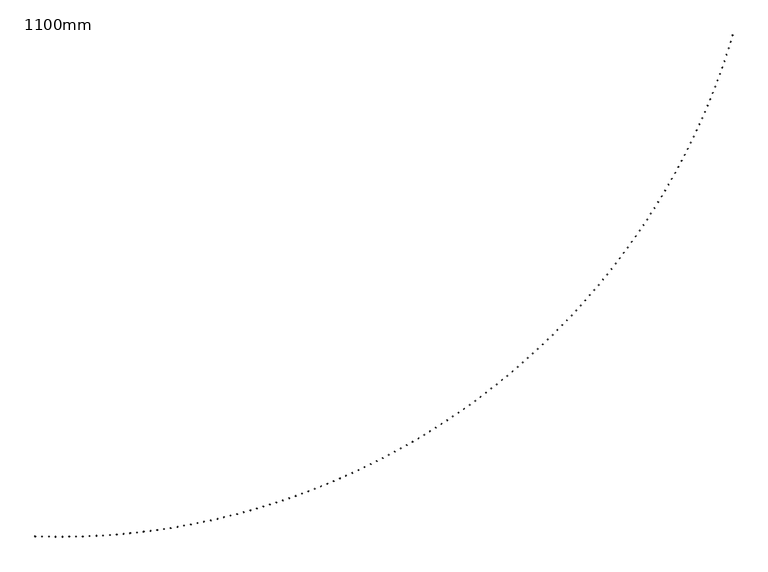
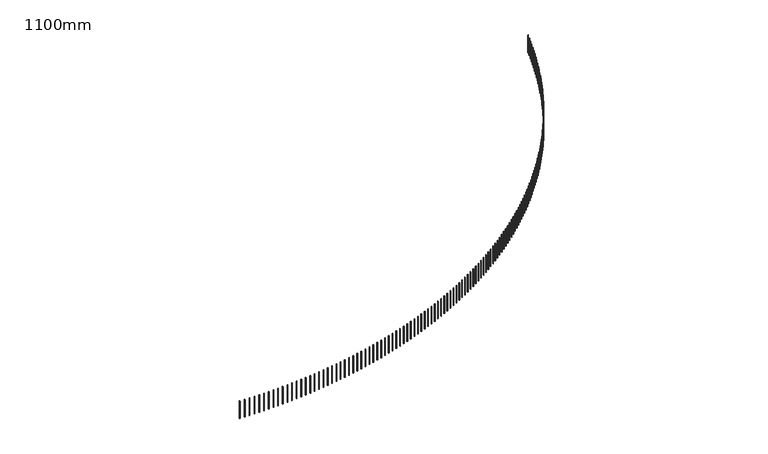
"""IFC4 building model written with IfcOpenShell, lengths in millimetres: railing geometry, 1100mm."""

from ifc_helpers import new_model, si_unit, frame, origin, place, context, project, spatial, polyline, outline, extrude, source, transform, mapped, element, save


def railing_1100mm_141c613e(model_context):
    return source(origin(), model_context, "Body", "SweptSolid", [
        extrude(outline(polyline([(-10110.9562878, -82539.3710236), (-10111.8247156, -82564.3559358), (-10136.8096277, -82563.487508), (-10135.9411999, -82538.5025959), (-10110.9562878, -82539.3710236)])), frame((0.0, 0.0, 18600.0), z_axis=(0.0, 0.0, 1.0), x_axis=(1.0, 0.0, 0.0)), (0.0, 0.0, 1.0), 1050.0),
        extrude(outline(polyline([(-9836.1976261, -82547.4690723), (-9836.8242033, -82572.4612191), (-9861.8163501, -82571.8346419), (-9861.1897729, -82546.8424951), (-9836.1976261, -82547.4690723)])), frame((0.0, 0.0, 18600.0), z_axis=(0.0, 0.0, 1.0), x_axis=(1.0, 0.0, 0.0)), (0.0, 0.0, 1.0), 1050.0),
        extrude(outline(polyline([(-9561.373458, -82552.9075616), (-9561.7581259, -82577.9046021), (-9586.7551663, -82577.5199342), (-9586.3704985, -82552.5228938), (-9561.373458, -82552.9075616)])), frame((0.0, 0.0, 18600.0), z_axis=(0.0, 0.0, 1.0), x_axis=(1.0, 0.0, 0.0)), (0.0, 0.0, 1.0), 1050.0),
        extrude(outline(polyline([(-9286.5095264, -82555.6859823), (-9286.6522489, -82580.6855749), (-9311.6518415, -82580.5428524), (-9311.509119, -82555.5432598), (-9286.5095264, -82555.6859823)])), frame((0.0, 0.0, 18600.0), z_axis=(0.0, 0.0, 1.0), x_axis=(1.0, 0.0, 0.0)), (0.0, 0.0, 1.0), 1050.0),
        extrude(outline(polyline([(-9011.6315779, -82555.8040741), (-9011.5323416, -82580.8038771), (-9036.5321447, -82580.9031133), (-9036.6313809, -82555.9033103), (-9011.6315779, -82555.8040741)])), frame((0.0, 0.0, 18600.0), z_axis=(0.0, 0.0, 1.0), x_axis=(1.0, 0.0, 0.0)), (0.0, 0.0, 1.0), 1050.0),
        extrude(outline(polyline([(-8736.7653604, -82553.2618258), (-8736.4241747, -82578.2594975), (-8761.4218465, -82578.6006832), (-8761.7630321, -82553.6030114), (-8736.7653604, -82553.2618258)])), frame((0.0, 0.0, 18600.0), z_axis=(0.0, 0.0, 1.0), x_axis=(1.0, 0.0, 0.0)), (0.0, 0.0, 1.0), 1050.0),
        extrude(outline(polyline([(-8461.9366208, -82548.0594757), (-8461.3535177, -82573.0526745), (-8486.3467166, -82573.6357777), (-8486.9298197, -82548.6425788), (-8461.9366208, -82548.0594757)])), frame((0.0, 0.0, 18600.0), z_axis=(0.0, 0.0, 1.0), x_axis=(1.0, 0.0, 0.0)), (0.0, 0.0, 1.0), 1050.0),
        extrude(outline(polyline([(-8187.1711025, -82540.197511), (-8186.3461366, -82565.1838959), (-8211.3325215, -82566.0088618), (-8212.1574874, -82541.0224769), (-8187.1711025, -82540.197511)])), frame((0.0, 0.0, 18600.0), z_axis=(0.0, 0.0, 1.0), x_axis=(1.0, 0.0, 0.0)), (0.0, 0.0, 1.0), 1050.0),
        extrude(outline(polyline([(-7912.4945429, -82529.6766681), (-7911.4277914, -82554.6538986), (-7936.4050218, -82555.7206501), (-7937.4717734, -82530.7434196), (-7912.4945429, -82529.6766681)])), frame((0.0, 0.0, 18600.0), z_axis=(0.0, 0.0, 1.0), x_axis=(1.0, 0.0, 0.0)), (0.0, 0.0, 1.0), 1050.0),
        extrude(outline(polyline([(-7637.9326711, -82516.4979327), (-7636.6242339, -82541.463669), (-7661.5899703, -82542.7721062), (-7662.8984074, -82517.8063698), (-7637.9326711, -82516.4979327)])), frame((0.0, 0.0, 18600.0), z_axis=(0.0, 0.0, 1.0), x_axis=(1.0, 0.0, 0.0)), (0.0, 0.0, 1.0), 1050.0),
        extrude(outline(polyline([(-7363.5112053, -82500.662539), (-7361.9612051, -82525.6144427), (-7386.9131088, -82527.164443), (-7388.4631091, -82502.2125392), (-7363.5112053, -82500.662539)])), frame((0.0, 0.0, 18600.0), z_axis=(0.0, 0.0, 1.0), x_axis=(1.0, 0.0, 0.0)), (0.0, 0.0, 1.0), 1050.0),
        extrude(outline(polyline([(-7089.255851, -82482.1719705), (-7087.4644328, -82507.1077043), (-7112.4001666, -82508.8991224), (-7114.1915848, -82483.9633886), (-7089.255851, -82482.1719705)])), frame((0.0, 0.0, 18600.0), z_axis=(0.0, 0.0, 1.0), x_axis=(1.0, 0.0, 0.0)), (0.0, 0.0, 1.0), 1050.0),
        extrude(outline(polyline([(-6815.1922975, -82461.0279591), (-6813.1596293, -82485.9451873), (-6838.0768575, -82487.9778555), (-6840.1095257, -82463.0606273), (-6815.1922975, -82461.0279591)])), frame((0.0, 0.0, 18600.0), z_axis=(0.0, 0.0, 1.0), x_axis=(1.0, 0.0, 0.0)), (0.0, 0.0, 1.0), 1050.0),
        extrude(outline(polyline([(-6541.3462167, -82437.2324855), (-6539.0724888, -82462.128874), (-6563.9688773, -82464.4026019), (-6566.2426052, -82439.5062134), (-6541.3462167, -82437.2324855)])), frame((0.0, 0.0, 18600.0), z_axis=(0.0, 0.0, 1.0), x_axis=(1.0, 0.0, 0.0)), (0.0, 0.0, 1.0), 1050.0),
        extrude(outline(polyline([(-6267.7432598, -82410.7877785), (-6265.2286852, -82435.6609953), (-6290.101902, -82438.1755699), (-6292.6164767, -82413.3023531), (-6267.7432598, -82410.7877785)])), frame((0.0, 0.0, 18600.0), z_axis=(0.0, 0.0, 1.0), x_axis=(1.0, 0.0, 0.0)), (0.0, 0.0, 1.0), 1050.0),
        extrude(outline(polyline([(-5994.4090554, -82381.6963152), (-5991.6538696, -82406.5440305), (-6016.5015849, -82409.2992162), (-6019.2567706, -82384.451501), (-5994.4090554, -82381.6963152)])), frame((0.0, 0.0, 18600.0), z_axis=(0.0, 0.0, 1.0), x_axis=(1.0, 0.0, 0.0)), (0.0, 0.0, 1.0), 1050.0),
        extrude(outline(polyline([(-5721.3692068, -82349.9608208), (-5718.3736679, -82374.7807069), (-5743.1935541, -82377.7762457), (-5746.1890929, -82352.9563596), (-5721.3692068, -82349.9608208)])), frame((0.0, 0.0, 18600.0), z_axis=(0.0, 0.0, 1.0), x_axis=(1.0, 0.0, 0.0)), (0.0, 0.0, 1.0), 1050.0),
        extrude(outline(polyline([(-5448.6492898, -82315.5842677), (-5445.4136784, -82340.3739998), (-5470.2034106, -82343.6096112), (-5473.4390219, -82318.8198791), (-5448.6492898, -82315.5842677)])), frame((0.0, 0.0, 18600.0), z_axis=(0.0, 0.0, 1.0), x_axis=(1.0, 0.0, 0.0)), (0.0, 0.0, 1.0), 1050.0),
        extrude(outline(polyline([(-5176.2748502, -82278.5698762), (-5172.7994694, -82303.3271322), (-5197.5567255, -82306.802513), (-5201.0321063, -82282.0452569), (-5176.2748502, -82278.5698762)])), frame((0.0, 0.0, 18600.0), z_axis=(0.0, 0.0, 1.0), x_axis=(1.0, 0.0, 0.0)), (0.0, 0.0, 1.0), 1050.0),
        extrude(outline(polyline([(-4904.2714014, -82238.9211133), (-4900.5565768, -82263.6435743), (-4925.2790378, -82267.3583989), (-4928.9938624, -82242.6359379), (-4904.2714014, -82238.9211133)])), frame((0.0, 0.0, 18600.0), z_axis=(0.0, 0.0, 1.0), x_axis=(1.0, 0.0, 0.0)), (0.0, 0.0, 1.0), 1050.0),
        extrude(outline(polyline([(-4632.6644222, -82196.641693), (-4628.7105017, -82221.3270431), (-4653.3958518, -82225.2809637), (-4657.3497724, -82200.5956135), (-4632.6644222, -82196.641693)])), frame((0.0, 0.0, 18600.0), z_axis=(0.0, 0.0, 1.0), x_axis=(1.0, 0.0, 0.0)), (0.0, 0.0, 1.0), 1050.0),
        extrude(outline(polyline([(-4361.4793541, -82151.7355756), (-4357.286708, -82176.3815026), (-4381.9326351, -82180.5741487), (-4386.1252811, -82155.9282217), (-4361.4793541, -82151.7355756)])), frame((0.0, 0.0, 18600.0), z_axis=(0.0, 0.0, 1.0), x_axis=(1.0, 0.0, 0.0)), (0.0, 0.0, 1.0), 1050.0),
        extrude(outline(polyline([(-4090.7415992, -82104.2069675), (-4086.3106203, -82128.8111628), (-4110.9148156, -82133.2421417), (-4115.3457945, -82108.6379464), (-4090.7415992, -82104.2069675)])), frame((0.0, 0.0, 18600.0), z_axis=(0.0, 0.0, 1.0), x_axis=(1.0, 0.0, 0.0)), (0.0, 0.0, 1.0), 1050.0),
        extrude(outline(polyline([(-3820.4765175, -82054.0603207), (-3815.8076209, -82078.6204796), (-3840.3677798, -82083.2893763), (-3845.0366764, -82058.7292174), (-3820.4765175, -82054.0603207)])), frame((0.0, 0.0, 18600.0), z_axis=(0.0, 0.0, 1.0), x_axis=(1.0, 0.0, 0.0)), (0.0, 0.0, 1.0), 1050.0),
        extrude(outline(polyline([(-3550.709425, -82001.3003326), (-3545.803048, -82025.8141545), (-3570.3168699, -82030.7205315), (-3575.2232469, -82006.2067096), (-3550.709425, -82001.3003326)])), frame((0.0, 0.0, 18600.0), z_axis=(0.0, 0.0, 1.0), x_axis=(1.0, 0.0, 0.0)), (0.0, 0.0, 1.0), 1050.0),
        extrude(outline(polyline([(-3281.465591, -81945.931945), (-3276.3221931, -81970.3971337), (-3300.7873818, -81975.5405316), (-3305.9307796, -81951.0753429), (-3281.465591, -81945.931945)])), frame((0.0, 0.0, 18600.0), z_axis=(0.0, 0.0, 1.0), x_axis=(1.0, 0.0, 0.0)), (0.0, 0.0, 1.0), 1050.0),
        extrude(outline(polyline([(-3012.7702354, -81887.9603445), (-3007.3902985, -81912.3746083), (-3031.8045623, -81917.7545453), (-3037.1844993, -81893.3402814), (-3012.7702354, -81887.9603445)])), frame((0.0, 0.0, 18600.0), z_axis=(0.0, 0.0, 1.0), x_axis=(1.0, 0.0, 0.0)), (0.0, 0.0, 1.0), 1050.0),
        extrude(outline(polyline([(-2744.6485274, -81827.3909612), (-2739.0325553, -81851.7520133), (-2763.3936074, -81857.3679854), (-2769.0095794, -81833.0069333), (-2744.6485274, -81827.3909612)])), frame((0.0, 0.0, 18600.0), z_axis=(0.0, 0.0, 1.0), x_axis=(1.0, 0.0, 0.0)), (0.0, 0.0, 1.0), 1050.0),
        extrude(outline(polyline([(-2477.1255818, -81764.2294688), (-2471.2741007, -81788.5350272), (-2495.5796591, -81794.3865083), (-2501.4311402, -81770.0809499), (-2477.1255818, -81764.2294688)])), frame((0.0, 0.0, 18600.0), z_axis=(0.0, 0.0, 1.0), x_axis=(1.0, 0.0, 0.0)), (0.0, 0.0, 1.0), 1050.0),
        extrude(outline(polyline([(-2210.2264577, -81698.4817835), (-2204.1400157, -81722.7295715), (-2228.3878037, -81728.8160136), (-2234.4742457, -81704.5682256), (-2210.2264577, -81698.4817835)])), frame((0.0, 0.0, 18600.0), z_axis=(0.0, 0.0, 1.0), x_axis=(1.0, 0.0, 0.0)), (0.0, 0.0, 1.0), 1050.0),
        extrude(outline(polyline([(-1943.9761558, -81630.1540641), (-1937.6553229, -81654.3418104), (-1961.8430692, -81660.6626433), (-1968.1639021, -81636.474897), (-1943.9761558, -81630.1540641)])), frame((0.0, 0.0, 18600.0), z_axis=(0.0, 0.0, 1.0), x_axis=(1.0, 0.0, 0.0)), (0.0, 0.0, 1.0), 1050.0),
        extrude(outline(polyline([(-1678.3996157, -81559.2527107), (-1671.8449841, -81583.3781497), (-1695.970423, -81589.9327813), (-1702.5250546, -81565.8073424), (-1678.3996157, -81559.2527107)])), frame((0.0, 0.0, 18600.0), z_axis=(0.0, 0.0, 1.0), x_axis=(1.0, 0.0, 0.0)), (0.0, 0.0, 1.0), 1050.0),
        extrude(outline(polyline([(-1413.5217142, -81485.7843648), (-1406.7338978, -81509.8452366), (-1430.7947695, -81516.633053), (-1437.582586, -81492.5721812), (-1413.5217142, -81485.7843648)])), frame((0.0, 0.0, 18600.0), z_axis=(0.0, 0.0, 1.0), x_axis=(1.0, 0.0, 0.0)), (0.0, 0.0, 1.0), 1050.0),
        extrude(outline(polyline([(-1149.3672626, -81409.7559082), (-1142.3468972, -81433.7499589), (-1166.3409479, -81440.7703243), (-1173.3613133, -81416.7762736), (-1149.3672626, -81409.7559082)])), frame((0.0, 0.0, 18600.0), z_axis=(0.0, 0.0, 1.0), x_axis=(1.0, 0.0, 0.0)), (0.0, 0.0, 1.0), 1050.0),
        extrude(outline(polyline([(-885.9610043, -81331.1744625), (-878.7087475, -81355.0994447), (-902.6337297, -81362.3517014), (-909.8859864, -81338.4267192), (-885.9610043, -81331.1744625)])), frame((0.0, 0.0, 18600.0), z_axis=(0.0, 0.0, 1.0), x_axis=(1.0, 0.0, 0.0)), (0.0, 0.0, 1.0), 1050.0),
        extrude(outline(polyline([(-623.3276126, -81250.0473885), (-615.8441439, -81273.901061), (-639.6978165, -81281.3845298), (-647.1812852, -81257.5308572), (-623.3276126, -81250.0473885)])), frame((0.0, 0.0, 18600.0), z_axis=(0.0, 0.0, 1.0), x_axis=(1.0, 0.0, 0.0)), (0.0, 0.0, 1.0), 1050.0),
        extrude(outline(polyline([(-361.4916887, -81166.3822853), (-353.7777089, -81190.1624139), (-377.5578375, -81197.8763937), (-385.2718173, -81174.0962651), (-361.4916887, -81166.3822853)])), frame((0.0, 0.0, 18600.0), z_axis=(0.0, 0.0, 1.0), x_axis=(1.0, 0.0, 0.0)), (0.0, 0.0, 1.0), 1050.0),
        extrude(outline(polyline([(-100.4777588, -81080.18699), (-92.5339905, -81103.8913471), (-116.2383476, -81111.8351154), (-124.1821159, -81088.1307583), (-100.4777588, -81080.18699)])), frame((0.0, 0.0, 18600.0), z_axis=(0.0, 0.0, 1.0), x_axis=(1.0, 0.0, 0.0)), (0.0, 0.0, 1.0), 1050.0),
        extrude(outline(polyline([(159.6897277, -80991.4695764), (167.8625404, -81015.0959416), (144.2361752, -81023.2687543), (136.0633625, -80999.6423891), (159.6897277, -80991.4695764)])), frame((0.0, 0.0, 18600.0), z_axis=(0.0, 0.0, 1.0), x_axis=(1.0, 0.0, 0.0)), (0.0, 0.0, 1.0), 1050.0),
        extrude(outline(polyline([(418.986401, -80900.2383549), (427.3874925, -80923.7845151), (403.8413323, -80932.1856066), (395.4402408, -80908.6394464), (418.986401, -80900.2383549)])), frame((0.0, 0.0, 18600.0), z_axis=(0.0, 0.0, 1.0), x_axis=(1.0, 0.0, 0.0)), (0.0, 0.0, 1.0), 1050.0),
        extrude(outline(polyline([(677.3879724, -80806.501871), (686.0165559, -80829.9656207), (662.5528062, -80838.5942041), (653.9242228, -80815.1304544), (677.3879724, -80806.501871)])), frame((0.0, 0.0, 18600.0), z_axis=(0.0, 0.0, 1.0), x_axis=(1.0, 0.0, 0.0)), (0.0, 0.0, 1.0), 1050.0),
        extrude(outline(polyline([(934.8702375, -80710.2689051), (943.7255046, -80733.6480464), (920.3463633, -80742.5033135), (911.4910963, -80719.1241722), (934.8702375, -80710.2689051)])), frame((0.0, 0.0, 18600.0), z_axis=(0.0, 0.0, 1.0), x_axis=(1.0, 0.0, 0.0)), (0.0, 0.0, 1.0), 1050.0),
        extrude(outline(polyline([(1191.4090777, -80611.5484715), (1200.4901989, -80634.8408144), (1177.197856, -80643.9219356), (1168.1167348, -80620.6295927), (1191.4090777, -80611.5484715)])), frame((0.0, 0.0, 18600.0), z_axis=(0.0, 0.0, 1.0), x_axis=(1.0, 0.0, 0.0)), (0.0, 0.0, 1.0), 1050.0),
        extrude(outline(polyline([(1446.9804628, -80510.3498172), (1456.2865876, -80533.5531799), (1433.0832249, -80542.8593047), (1423.7771001, -80519.655942), (1446.9804628, -80510.3498172)])), frame((0.0, 0.0, 18600.0), z_axis=(0.0, 0.0, 1.0), x_axis=(1.0, 0.0, 0.0)), (0.0, 0.0, 1.0), 1050.0),
        extrude(outline(polyline([(1701.5604535, -80406.6824217), (1711.0907101, -80429.7946308), (1687.978501, -80439.3248874), (1678.4482444, -80416.2126783), (1701.5604535, -80406.6824217)])), frame((0.0, 0.0, 18600.0), z_axis=(0.0, 0.0, 1.0), x_axis=(1.0, 0.0, 0.0)), (0.0, 0.0, 1.0), 1050.0),
        extrude(outline(polyline([(1955.125203, -80300.5559955), (1964.8786987, -80323.574886), (1941.8598082, -80333.3283817), (1932.1063125, -80310.3094912), (1955.125203, -80300.5559955)])), frame((0.0, 0.0, 18600.0), z_axis=(0.0, 0.0, 1.0), x_axis=(1.0, 0.0, 0.0)), (0.0, 0.0, 1.0), 1050.0),
        extrude(outline(polyline([(2207.6509598, -80191.9804794), (2217.6267811, -80214.9038952), (2194.7033653, -80224.8797165), (2184.7275441, -80201.9563007), (2207.6509598, -80191.9804794)])), frame((0.0, 0.0, 18600.0), z_axis=(0.0, 0.0, 1.0), x_axis=(1.0, 0.0, 0.0)), (0.0, 0.0, 1.0), 1050.0),
        extrude(outline(polyline([(2459.1140697, -80080.966044), (2469.3112821, -80103.7918377), (2446.4854883, -80113.9890501), (2436.288276, -80091.1632563), (2459.1140697, -80080.966044)])), frame((0.0, 0.0, 18600.0), z_axis=(0.0, 0.0, 1.0), x_axis=(1.0, 0.0, 0.0)), (0.0, 0.0, 1.0), 1050.0),
        extrude(outline(polyline([(2709.4909781, -79967.5230878), (2719.9086263, -79990.2491214), (2697.1825927, -80000.6667697), (2686.7649444, -79977.940736), (2709.4909781, -79967.5230878)])), frame((0.0, 0.0, 18600.0), z_axis=(0.0, 0.0, 1.0), x_axis=(1.0, 0.0, 0.0)), (0.0, 0.0, 1.0), 1050.0),
        extrude(outline(polyline([(2958.7582319, -79851.6622372), (2969.3953402, -79874.286382), (2946.7711955, -79884.9234903), (2936.1340872, -79862.2993455), (2958.7582319, -79851.6622372)])), frame((0.0, 0.0, 18600.0), z_axis=(0.0, 0.0, 1.0), x_axis=(1.0, 0.0, 0.0)), (0.0, 0.0, 1.0), 1050.0),
        extrude(outline(polyline([(3206.8924823, -79733.394345), (3217.7480543, -79755.9144816), (3195.2279176, -79766.7700536), (3184.3723456, -79744.249917), (3206.8924823, -79733.394345)])), frame((0.0, 0.0, 18600.0), z_axis=(0.0, 0.0, 1.0), x_axis=(1.0, 0.0, 0.0)), (0.0, 0.0, 1.0), 1050.0),
        extrude(outline(polyline([(3453.8704863, -79612.7304892), (3464.9435051, -79635.1445084), (3442.529486, -79646.2175272), (3431.4564671, -79623.8035081), (3453.8704863, -79612.7304892)])), frame((0.0, 0.0, 18600.0), z_axis=(0.0, 0.0, 1.0), x_axis=(1.0, 0.0, 0.0)), (0.0, 0.0, 1.0), 1050.0),
        extrude(outline(polyline([(3699.6691094, -79489.6819727), (3710.9585378, -79511.9877747), (3688.6527358, -79523.2772032), (3677.3633073, -79500.9714011), (3699.6691094, -79489.6819727)])), frame((0.0, 0.0, 18600.0), z_axis=(0.0, 0.0, 1.0), x_axis=(1.0, 0.0, 0.0)), (0.0, 0.0, 1.0), 1050.0),
        extrude(outline(polyline([(3944.2653275, -79364.2603213), (3955.7701081, -79386.4558169), (3933.5746125, -79397.9605975), (3922.0698319, -79375.7651019), (3944.2653275, -79364.2603213)])), frame((0.0, 0.0, 18600.0), z_axis=(0.0, 0.0, 1.0), x_axis=(1.0, 0.0, 0.0)), (0.0, 0.0, 1.0), 1050.0),
        extrude(outline(polyline([(4187.6362291, -79236.4772835), (4199.3552842, -79258.5603935), (4177.2721742, -79270.2794486), (4165.5531191, -79248.1963386), (4187.6362291, -79236.4772835)])), frame((0.0, 0.0, 18600.0), z_axis=(0.0, 0.0, 1.0), x_axis=(1.0, 0.0, 0.0)), (0.0, 0.0, 1.0), 1050.0),
        extrude(outline(polyline([(4429.7590177, -79106.3448286), (4441.6912495, -79128.3134846), (4419.7225936, -79140.2457164), (4407.7903618, -79118.2770605), (4429.7590177, -79106.3448286)])), frame((0.0, 0.0, 18600.0), z_axis=(0.0, 0.0, 1.0), x_axis=(1.0, 0.0, 0.0)), (0.0, 0.0, 1.0), 1050.0),
        extrude(outline(polyline([(4670.6110134, -78973.8751464), (4682.7553042, -78995.7272904), (4660.9031602, -79007.8715813), (4648.7588693, -78986.0194373), (4670.6110134, -78973.8751464)])), frame((0.0, 0.0, 18600.0), z_axis=(0.0, 0.0, 1.0), x_axis=(1.0, 0.0, 0.0)), (0.0, 0.0, 1.0), 1050.0),
        extrude(outline(polyline([(4910.1696554, -78839.0806452), (4922.5248678, -78860.8142304), (4900.7912826, -78873.1694428), (4888.4360702, -78851.4358576), (4910.1696554, -78839.0806452)])), frame((0.0, 0.0, 18600.0), z_axis=(0.0, 0.0, 1.0), x_axis=(1.0, 0.0, 0.0)), (0.0, 0.0, 1.0), 1050.0),
        extrude(outline(polyline([(5148.4125043, -78701.9739514), (5160.9774809, -78723.586942), (5139.3644902, -78736.1519186), (5126.7995137, -78714.5389279), (5148.4125043, -78701.9739514)])), frame((0.0, 0.0, 18600.0), z_axis=(0.0, 0.0, 1.0), x_axis=(1.0, 0.0, 0.0)), (0.0, 0.0, 1.0), 1050.0),
        extrude(outline(polyline([(5385.3172437, -78562.5679077), (5398.0908074, -78584.0582793), (5376.6004359, -78596.831843), (5363.8268721, -78575.3414715), (5385.3172437, -78562.5679077)])), frame((0.0, 0.0, 18600.0), z_axis=(0.0, 0.0, 1.0), x_axis=(1.0, 0.0, 0.0)), (0.0, 0.0, 1.0), 1050.0),
        extrude(outline(polyline([(5620.8616826, -78420.8755725), (5633.842637, -78442.241312), (5612.4768976, -78455.2222664), (5599.4959431, -78433.856527), (5620.8616826, -78420.8755725)])), frame((0.0, 0.0, 18600.0), z_axis=(0.0, 0.0, 1.0), x_axis=(1.0, 0.0, 0.0)), (0.0, 0.0, 1.0), 1050.0),
        extrude(outline(polyline([(5855.0237574, -78276.9102182), (5868.2108866, -78298.1493241), (5846.9717806, -78311.3364534), (5833.7846514, -78290.0973474), (5855.0237574, -78276.9102182)])), frame((0.0, 0.0, 18600.0), z_axis=(0.0, 0.0, 1.0), x_axis=(1.0, 0.0, 0.0)), (0.0, 0.0, 1.0), 1050.0),
        extrude(outline(polyline([(6087.781534, -78130.6853299), (6101.1736028, -78151.795813), (6080.0631197, -78165.1878817), (6066.671051, -78144.0773987), (6087.781534, -78130.6853299)])), frame((0.0, 0.0, 18600.0), z_axis=(0.0, 0.0, 1.0), x_axis=(1.0, 0.0, 0.0)), (0.0, 0.0, 1.0), 1050.0),
        extrude(outline(polyline([(6319.11321, -77982.2146048), (6332.7089638, -78003.1944875), (6311.7290811, -78016.7902413), (6298.1333273, -77995.8103586), (6319.11321, -77982.2146048)])), frame((0.0, 0.0, 18600.0), z_axis=(0.0, 0.0, 1.0), x_axis=(1.0, 0.0, 0.0)), (0.0, 0.0, 1.0), 1050.0),
        extrude(outline(polyline([(6548.9971164, -77831.5119501), (6562.7952817, -77852.3592672), (6541.9479646, -77866.1574326), (6528.1497992, -77845.3101155), (6548.9971164, -77831.5119501)])), frame((0.0, 0.0, 18600.0), z_axis=(0.0, 0.0, 1.0), x_axis=(1.0, 0.0, 0.0)), (0.0, 0.0, 1.0), 1050.0),
        extrude(outline(polyline([(6777.4117197, -77678.5914822), (6791.4110042, -77699.304281), (6770.6982054, -77713.3035655), (6756.6989209, -77692.5907666), (6777.4117197, -77678.5914822)])), frame((0.0, 0.0, 18600.0), z_axis=(0.0, 0.0, 1.0), x_axis=(1.0, 0.0, 0.0)), (0.0, 0.0, 1.0), 1050.0),
        extrude(outline(polyline([(7004.3356244, -77523.4675252), (7018.5347166, -77544.0438655), (6997.9583763, -77558.2429578), (6983.7592841, -77537.6666174), (7004.3356244, -77523.4675252)])), frame((0.0, 0.0, 18600.0), z_axis=(0.0, 0.0, 1.0), x_axis=(1.0, 0.0, 0.0)), (0.0, 0.0, 1.0), 1050.0),
        extrude(outline(polyline([(7229.7475744, -77366.1546098), (7244.1451443, -77386.5925642), (7223.7071899, -77400.9901341), (7209.30962, -77380.5521797), (7229.7475744, -77366.1546098)])), frame((0.0, 0.0, 18600.0), z_axis=(0.0, 0.0, 1.0), x_axis=(1.0, 0.0, 0.0)), (0.0, 0.0, 1.0), 1050.0),
        extrude(outline(polyline([(7453.6264551, -77206.6674714), (7468.2211541, -77226.9651255), (7447.9235, -77241.5598245), (7433.328801, -77221.2621704), (7453.6264551, -77206.6674714)])), frame((0.0, 0.0, 18600.0), z_axis=(0.0, 0.0, 1.0), x_axis=(1.0, 0.0, 0.0)), (0.0, 0.0, 1.0), 1050.0),
        extrude(outline(polyline([(7675.9512957, -77045.0210493), (7690.7417567, -77065.1765018), (7670.5863043, -77079.9669628), (7655.7958433, -77059.8115103), (7675.9512957, -77045.0210493)])), frame((0.0, 0.0, 18600.0), z_axis=(0.0, 0.0, 1.0), x_axis=(1.0, 0.0, 0.0)), (0.0, 0.0, 1.0), 1050.0),
        extrude(outline(polyline([(7896.701271, -76881.2304851), (7911.6861086, -76901.2418479), (7891.6747458, -76916.2266855), (7876.6899082, -76896.2153227), (7896.701271, -76881.2304851)])), frame((0.0, 0.0, 18600.0), z_axis=(0.0, 0.0, 1.0), x_axis=(1.0, 0.0, 0.0)), (0.0, 0.0, 1.0), 1050.0),
        extrude(outline(polyline([(8115.8557032, -76715.311121), (8131.0335137, -76735.1765197), (8111.168115, -76750.3543302), (8095.9903045, -76730.4889315), (8115.8557032, -76715.311121)])), frame((0.0, 0.0, 18600.0), z_axis=(0.0, 0.0, 1.0), x_axis=(1.0, 0.0, 0.0)), (0.0, 0.0, 1.0), 1050.0),
        extrude(outline(polyline([(8333.394064, -76547.2784988), (8348.7634258, -76566.9960726), (8329.0458519, -76582.3654344), (8313.6764901, -76562.6478605), (8333.394064, -76547.2784988)])), frame((0.0, 0.0, 18600.0), z_axis=(0.0, 0.0, 1.0), x_axis=(1.0, 0.0, 0.0)), (0.0, 0.0, 1.0), 1050.0),
        extrude(outline(polyline([(8549.2959765, -76377.1483582), (8564.8554498, -76396.7162602), (8545.2875477, -76412.2757335), (8529.7280744, -76392.7078315), (8549.2959765, -76377.1483582)])), frame((0.0, 0.0, 18600.0), z_axis=(0.0, 0.0, 1.0), x_axis=(1.0, 0.0, 0.0)), (0.0, 0.0, 1.0), 1050.0),
        extrude(outline(polyline([(8763.541217, -76204.9366354), (8779.2893444, -76224.3530327), (8759.8729471, -76240.1011601), (8744.1248197, -76220.6847628), (8763.541217, -76204.9366354)])), frame((0.0, 0.0, 18600.0), z_axis=(0.0, 0.0, 1.0), x_axis=(1.0, 0.0, 0.0)), (0.0, 0.0, 1.0), 1050.0),
        extrude(outline(polyline([(8976.109717, -76030.6594615), (8992.0450234, -76049.9225353), (8972.7819496, -76065.8578417), (8956.8466432, -76046.5947679), (8976.109717, -76030.6594615)])), frame((0.0, 0.0, 18600.0), z_axis=(0.0, 0.0, 1.0), x_axis=(1.0, 0.0, 0.0)), (0.0, 0.0, 1.0), 1050.0),
        extrude(outline(polyline([(9186.9815652, -75854.3331613), (9203.1025579, -75873.4411071), (9183.994612, -75889.5620998), (9167.8736193, -75870.4541539), (9186.9815652, -75854.3331613)])), frame((0.0, 0.0, 18600.0), z_axis=(0.0, 0.0, 1.0), x_axis=(1.0, 0.0, 0.0)), (0.0, 0.0, 1.0), 1050.0),
        extrude(outline(polyline([(9396.1370091, -75675.9742511), (9412.442178, -75694.9252792), (9393.4911499, -75711.2304482), (9377.185981, -75692.27942), (9396.1370091, -75675.9742511)])), frame((0.0, 0.0, 18600.0), z_axis=(0.0, 0.0, 1.0), x_axis=(1.0, 0.0, 0.0)), (0.0, 0.0, 1.0), 1050.0),
        extrude(outline(polyline([(9603.556457, -75495.5994381), (9620.0442748, -75514.3917733), (9601.2519396, -75530.8795912), (9584.7641218, -75512.0872559), (9603.556457, -75495.5994381)])), frame((0.0, 0.0, 18600.0), z_axis=(0.0, 0.0, 1.0), x_axis=(1.0, 0.0, 0.0)), (0.0, 0.0, 1.0), 1050.0),
        extrude(outline(polyline([(9809.2204798, -75313.225618), (9825.8894022, -75331.8575), (9807.2575201, -75348.5264224), (9790.5885978, -75329.8945403), (9809.2204798, -75313.225618)])), frame((0.0, 0.0, 18600.0), z_axis=(0.0, 0.0, 1.0), x_axis=(1.0, 0.0, 0.0)), (0.0, 0.0, 1.0), 1050.0),
        extrude(outline(polyline([(10013.1098129, -75128.8698739), (10029.9582783, -75147.3395575), (10011.4885947, -75164.1880229), (9994.6401293, -75145.7183393), (10013.1098129, -75128.8698739)])), frame((0.0, 0.0, 18600.0), z_axis=(0.0, 0.0, 1.0), x_axis=(1.0, 0.0, 0.0)), (0.0, 0.0, 1.0), 1050.0),
        extrude(outline(polyline([(10215.2053578, -74942.5494744), (10232.2317882, -74960.8552295), (10213.9260331, -74977.8816598), (10196.8996027, -74959.5759048), (10215.2053578, -74942.5494744)])), frame((0.0, 0.0, 18600.0), z_axis=(0.0, 0.0, 1.0), x_axis=(1.0, 0.0, 0.0)), (0.0, 0.0, 1.0), 1050.0),
        extrude(outline(polyline([(10415.4881842, -74754.2818723), (10432.6909846, -74772.4219842), (10414.5508727, -74789.6247846), (10397.3480723, -74771.4846727), (10415.4881842, -74754.2818723)])), frame((0.0, 0.0, 18600.0), z_axis=(0.0, 0.0, 1.0), x_axis=(1.0, 0.0, 0.0)), (0.0, 0.0, 1.0), 1050.0),
        extrude(outline(polyline([(10613.9395314, -74564.0847027), (10631.3170904, -74582.0574722), (10613.344321, -74599.4350312), (10595.966762, -74581.4622617), (10613.9395314, -74564.0847027)])), frame((0.0, 0.0, 18600.0), z_axis=(0.0, 0.0, 1.0), x_axis=(1.0, 0.0, 0.0)), (0.0, 0.0, 1.0), 1050.0),
        extrude(outline(polyline([(10810.5408105, -74371.9757815), (10828.0915004, -74389.779525), (10810.2877568, -74407.3302149), (10792.7370669, -74389.5264714), (10810.5408105, -74371.9757815)])), frame((0.0, 0.0, 18600.0), z_axis=(0.0, 0.0, 1.0), x_axis=(1.0, 0.0, 0.0)), (0.0, 0.0, 1.0), 1050.0),
        extrude(outline(polyline([(11005.2736056, -74177.9731036), (11022.9957824, -74195.6061535), (11005.3627325, -74213.3283303), (10987.6405557, -74195.6952804), (11005.2736056, -74177.9731036)])), frame((0.0, 0.0, 18600.0), z_axis=(0.0, 0.0, 1.0), x_axis=(1.0, 0.0, 0.0)), (0.0, 0.0, 1.0), 1050.0),
        extrude(outline(polyline([(11198.1196761, -73982.0948413), (11216.0116798, -73999.5555459), (11198.5509751, -74017.4475496), (11180.6589715, -73999.986845), (11198.1196761, -73982.0948413)])), frame((0.0, 0.0, 18600.0), z_axis=(0.0, 0.0, 1.0), x_axis=(1.0, 0.0, 0.0)), (0.0, 0.0, 1.0), 1050.0),
        extrude(outline(polyline([(11389.060958, -73784.3593427), (11407.1211125, -73801.6460664), (11389.8343888, -73819.706221), (11371.7742342, -73802.4194972), (11389.060958, -73784.3593427)])), frame((0.0, 0.0, 18600.0), z_axis=(0.0, 0.0, 1.0), x_axis=(1.0, 0.0, 0.0)), (0.0, 0.0, 1.0), 1050.0),
        extrude(outline(polyline([(11578.0795657, -73584.7851297), (11596.3061794, -73601.8962533), (11579.1950558, -73620.1228671), (11560.968442, -73603.0117434), (11578.0795657, -73584.7851297)])), frame((0.0, 0.0, 18600.0), z_axis=(0.0, 0.0, 1.0), x_axis=(1.0, 0.0, 0.0)), (0.0, 0.0, 1.0), 1050.0),
        extrude(outline(polyline([(11765.1577937, -73383.3908966), (11783.5491593, -73400.3248173), (11766.6152386, -73418.7161829), (11748.223873, -73401.7822622), (11765.1577937, -73383.3908966)])), frame((0.0, 0.0, 18600.0), z_axis=(0.0, 0.0, 1.0), x_axis=(1.0, 0.0, 0.0)), (0.0, 0.0, 1.0), 1050.0),
        extrude(outline(polyline([(11950.2781183, -73180.195508), (11968.8325131, -73196.9506396), (11952.0773816, -73215.5050344), (11933.5229868, -73198.7499028), (11950.2781183, -73180.195508)])), frame((0.0, 0.0, 18600.0), z_axis=(0.0, 0.0, 1.0), x_axis=(1.0, 0.0, 0.0)), (0.0, 0.0, 1.0), 1050.0),
        extrude(outline(polyline([(12133.4231993, -72975.2179974), (12152.1388853, -72991.7927703), (12135.5641123, -73010.5084563), (12116.8484263, -72993.9336833), (12133.4231993, -72975.2179974)])), frame((0.0, 0.0, 18600.0), z_axis=(0.0, 0.0, 1.0), x_axis=(1.0, 0.0, 0.0)), (0.0, 0.0, 1.0), 1050.0),
        extrude(outline(polyline([(12314.5758813, -72768.4775651), (12333.4511053, -72784.8704269), (12317.0582435, -72803.7456509), (12298.1830195, -72787.3527891), (12314.5758813, -72768.4775651)])), frame((0.0, 0.0, 18600.0), z_axis=(0.0, 0.0, 1.0), x_axis=(1.0, 0.0, 0.0)), (0.0, 0.0, 1.0), 1050.0),
        extrude(outline(polyline([(12493.7191956, -72559.9935766), (12512.7521897, -72576.2029917), (12496.5427745, -72595.2359857), (12477.5097805, -72579.0265706), (12493.7191956, -72559.9935766)])), frame((0.0, 0.0, 18600.0), z_axis=(0.0, 0.0, 1.0), x_axis=(1.0, 0.0, 0.0)), (0.0, 0.0, 1.0), 1050.0),
        extrude(outline(polyline([(12670.8363619, -72349.7855607), (12690.0253431, -72365.8100107), (12674.000893, -72384.9989919), (12654.8119118, -72368.9745419), (12670.8363619, -72349.7855607)])), frame((0.0, 0.0, 18600.0), z_axis=(0.0, 0.0, 1.0), x_axis=(1.0, 0.0, 0.0)), (0.0, 0.0, 1.0), 1050.0),
        extrude(outline(polyline([(12845.9107894, -72137.8732076), (12865.2539604, -72153.7111917), (12849.4159763, -72173.0543626), (12830.0728054, -72157.2163786), (12845.9107894, -72137.8732076)])), frame((0.0, 0.0, 18600.0), z_axis=(0.0, 0.0, 1.0), x_axis=(1.0, 0.0, 0.0)), (0.0, 0.0, 1.0), 1050.0),
        extrude(outline(polyline([(13018.9260789, -71924.2763674), (13038.4216277, -71939.9264018), (13022.7715933, -71959.4219506), (13003.2760445, -71943.7719162), (13018.9260789, -71924.2763674)])), frame((0.0, 0.0, 18600.0), z_axis=(0.0, 0.0, 1.0), x_axis=(1.0, 0.0, 0.0)), (0.0, 0.0, 1.0), 1050.0),
        extrude(outline(polyline([(13189.8660239, -71709.0150478), (13209.5121244, -71724.4756666), (13194.0515055, -71744.1217671), (13174.405405, -71728.6611483), (13189.8660239, -71709.0150478)])), frame((0.0, 0.0, 18600.0), z_axis=(0.0, 0.0, 1.0), x_axis=(1.0, 0.0, 0.0)), (0.0, 0.0, 1.0), 1050.0),
        extrude(outline(polyline([(13358.7146124, -71492.1094123), (13378.5094243, -71507.3791674), (13363.2396692, -71527.1739793), (13343.4448573, -71511.9042242), (13358.7146124, -71492.1094123)])), frame((0.0, 0.0, 18600.0), z_axis=(0.0, 0.0, 1.0), x_axis=(1.0, 0.0, 0.0)), (0.0, 0.0, 1.0), 1050.0),
        extrude(outline(polyline([(13525.4560282, -71273.5797787), (13545.3976974, -71288.6572397), (13530.3202364, -71308.5989088), (13510.3785672, -71293.5214478), (13525.4560282, -71273.5797787)])), frame((0.0, 0.0, 18600.0), z_axis=(0.0, 0.0, 1.0), x_axis=(1.0, 0.0, 0.0)), (0.0, 0.0, 1.0), 1050.0),
        extrude(outline(polyline([(13690.0746527, -71053.4466166), (13710.1613111, -71068.3303713), (13695.2775565, -71088.4170297), (13675.190898, -71073.5332751), (13690.0746527, -71053.4466166)])), frame((0.0, 0.0, 18600.0), z_axis=(0.0, 0.0, 1.0), x_axis=(1.0, 0.0, 0.0)), (0.0, 0.0, 1.0), 1050.0),
        extrude(outline(polyline([(13852.5550658, -70831.7305462), (13872.7848321, -70846.4192003), (13858.096178, -70866.6489665), (13837.8664118, -70851.9603125), (13852.5550658, -70831.7305462)])), frame((0.0, 0.0, 18600.0), z_axis=(0.0, 0.0, 1.0), x_axis=(1.0, 0.0, 0.0)), (0.0, 0.0, 1.0), 1050.0),
        extrude(outline(polyline([(14012.882048, -70608.4523357), (14033.2530271, -70622.9445133), (14018.7608495, -70643.3154923), (13998.3898705, -70628.8233148), (14012.882048, -70608.4523357)])), frame((0.0, 0.0, 18600.0), z_axis=(0.0, 0.0, 1.0), x_axis=(1.0, 0.0, 0.0)), (0.0, 0.0, 1.0), 1050.0),
        extrude(outline(polyline([(14171.0405814, -70383.6328996), (14191.5508652, -70397.9272432), (14177.2565216, -70418.437527), (14156.7462378, -70404.1431833), (14171.0405814, -70383.6328996)])), frame((0.0, 0.0, 18600.0), z_axis=(0.0, 0.0, 1.0), x_axis=(1.0, 0.0, 0.0)), (0.0, 0.0, 1.0), 1050.0),
        extrude(outline(polyline([(14327.0158512, -70157.2932968), (14347.6635184, -70171.3884676), (14333.5683477, -70192.0361348), (14312.9206805, -70177.9409641), (14327.0158512, -70157.2932968)])), frame((0.0, 0.0, 18600.0), z_axis=(0.0, 0.0, 1.0), x_axis=(1.0, 0.0, 0.0)), (0.0, 0.0, 1.0), 1050.0),
        extrude(outline(polyline([(14480.7932471, -69929.4547289), (14501.5763637, -69943.3494064), (14487.6816862, -69964.132523), (14466.8985696, -69950.2378455), (14480.7932471, -69929.4547289)])), frame((0.0, 0.0, 18600.0), z_axis=(0.0, 0.0, 1.0), x_axis=(1.0, 0.0, 0.0)), (0.0, 0.0, 1.0), 1050.0),
        extrude(outline(polyline([(14632.3583646, -69700.1385374), (14653.2749839, -69713.8314202), (14639.5821011, -69734.7480394), (14618.6654818, -69721.0551566), (14632.3583646, -69700.1385374)])), frame((0.0, 0.0, 18600.0), z_axis=(0.0, 0.0, 1.0), x_axis=(1.0, 0.0, 0.0)), (0.0, 0.0, 1.0), 1050.0),
        extrude(outline(polyline([(14781.6970067, -69469.3662026), (14802.7451693, -69482.856008), (14789.2553639, -69503.9041706), (14768.2072013, -69490.4143652), (14781.6970067, -69469.3662026)])), frame((0.0, 0.0, 18600.0), z_axis=(0.0, 0.0, 1.0), x_axis=(1.0, 0.0, 0.0)), (0.0, 0.0, 1.0), 1050.0),
        extrude(outline(polyline([(14928.7951847, -69237.1593409), (14949.972919, -69250.4448054), (14936.6874545, -69271.6225398), (14915.5097201, -69258.3370753), (14928.7951847, -69237.1593409)])), frame((0.0, 0.0, 18600.0), z_axis=(0.0, 0.0, 1.0), x_axis=(1.0, 0.0, 0.0)), (0.0, 0.0, 1.0), 1050.0),
        extrude(outline(polyline([(15073.6391197, -69003.5397035), (15094.9444421, -69016.6195826), (15081.864563, -69037.924905), (15060.5592406, -69024.8450259), (15073.6391197, -69003.5397035)])), frame((0.0, 0.0, 18600.0), z_axis=(0.0, 0.0, 1.0), x_axis=(1.0, 0.0, 0.0)), (0.0, 0.0, 1.0), 1050.0),
        extrude(outline(polyline([(15216.2152443, -68768.5291734), (15237.6461591, -68781.4022419), (15224.7730906, -68802.8331567), (15203.3421758, -68789.9600882), (15216.2152443, -68768.5291734)])), frame((0.0, 0.0, 18600.0), z_axis=(0.0, 0.0, 1.0), x_axis=(1.0, 0.0, 0.0)), (0.0, 0.0, 1.0), 1050.0),
        extrude(outline(polyline([(15356.5102032, -68532.1497643), (15378.0647029, -68544.8148164), (15365.3996508, -68566.3693161), (15343.8451512, -68553.704264), (15356.5102032, -68532.1497643)])), frame((0.0, 0.0, 18600.0), z_axis=(0.0, 0.0, 1.0), x_axis=(1.0, 0.0, 0.0)), (0.0, 0.0, 1.0), 1050.0),
        extrude(outline(polyline([(15494.510855, -68294.423618), (15516.1869206, -68306.8794673), (15503.7310713, -68328.5555329), (15482.0550057, -68316.0996836), (15494.510855, -68294.423618)])), frame((0.0, 0.0, 18600.0), z_axis=(0.0, 0.0, 1.0), x_axis=(1.0, 0.0, 0.0)), (0.0, 0.0, 1.0), 1050.0),
        extrude(outline(polyline([(15630.204273, -68055.3730024), (15651.9998741, -68067.6184821), (15639.7543943, -68089.4140832), (15617.9587932, -68077.1686034), (15630.204273, -68055.3730024)])), frame((0.0, 0.0, 18600.0), z_axis=(0.0, 0.0, 1.0), x_axis=(1.0, 0.0, 0.0)), (0.0, 0.0, 1.0), 1050.0),
        extrude(outline(polyline([(15763.5777468, -67815.0203094), (15785.4908418, -67827.0542726), (15773.4568785, -67848.9673675), (15751.5437836, -67836.9334043), (15763.5777468, -67815.0203094)])), frame((0.0, 0.0, 18600.0), z_axis=(0.0, 0.0, 1.0), x_axis=(1.0, 0.0, 0.0)), (0.0, 0.0, 1.0), 1050.0),
        extrude(outline(polyline([(15894.6187833, -67573.388053), (15916.6473194, -67585.2093725), (15904.826, -67607.2379087), (15882.7974638, -67595.4165892), (15894.6187833, -67573.388053)])), frame((0.0, 0.0, 18600.0), z_axis=(0.0, 0.0, 1.0), x_axis=(1.0, 0.0, 0.0)), (0.0, 0.0, 1.0), 1050.0),
        extrude(outline(polyline([(16023.3151076, -67330.4988671), (16045.4570216, -67342.1064355), (16033.8494533, -67364.2483495), (16011.7075393, -67352.6407811), (16023.3151076, -67330.4988671)])), frame((0.0, 0.0, 18600.0), z_axis=(0.0, 0.0, 1.0), x_axis=(1.0, 0.0, 0.0)), (0.0, 0.0, 1.0), 1050.0),
        extrude(outline(polyline([(16149.6546649, -67086.3755032), (16171.9078827, -67097.7682332), (16160.5151527, -67120.021451), (16138.2619349, -67108.628721), (16149.6546649, -67086.3755032)])), frame((0.0, 0.0, 18600.0), z_axis=(0.0, 0.0, 1.0), x_axis=(1.0, 0.0, 0.0)), (0.0, 0.0, 1.0), 1050.0),
        extrude(outline(polyline([(16273.6256207, -66841.0408284), (16295.9880579, -66852.2176529), (16284.8112334, -66874.58009), (16262.4487963, -66863.4032656), (16273.6256207, -66841.0408284)])), frame((0.0, 0.0, 18600.0), z_axis=(0.0, 0.0, 1.0), x_axis=(1.0, 0.0, 0.0)), (0.0, 0.0, 1.0), 1050.0),
        extrude(outline(polyline([(16395.2163628, -66594.5178234), (16417.6859245, -66605.4776954), (16406.7260526, -66627.9472572), (16384.2564908, -66616.9873852), (16395.2163628, -66594.5178234)])), frame((0.0, 0.0, 18600.0), z_axis=(0.0, 0.0, 1.0), x_axis=(1.0, 0.0, 0.0)), (0.0, 0.0, 1.0), 1050.0),
        extrude(outline(polyline([(16514.4155015, -66346.8295802), (16536.9900832, -66357.571473), (16526.2481903, -66380.1460547), (16503.6736086, -66369.4041618), (16514.4155015, -66346.8295802)])), frame((0.0, 0.0, 18600.0), z_axis=(0.0, 0.0, 1.0), x_axis=(1.0, 0.0, 0.0)), (0.0, 0.0, 1.0), 1050.0),
        extrude(outline(polyline([(16631.2118715, -66097.9992997), (16653.8893585, -66108.5222072), (16643.3664509, -66131.1996942), (16620.6889639, -66120.6767867), (16631.2118715, -66097.9992997)])), frame((0.0, 0.0, 18600.0), z_axis=(0.0, 0.0, 1.0), x_axis=(1.0, 0.0, 0.0)), (0.0, 0.0, 1.0), 1050.0),
        extrude(outline(polyline([(16745.5945324, -65848.05029), (16768.3728005, -65858.3532266), (16758.0698639, -65881.1314947), (16735.2915958, -65870.8285581), (16745.5945324, -65848.05029)])), frame((0.0, 0.0, 18600.0), z_axis=(0.0, 0.0, 1.0), x_axis=(1.0, 0.0, 0.0)), (0.0, 0.0, 1.0), 1050.0),
        extrude(outline(polyline([(16857.5527699, -65597.0059641), (16880.4296855, -65607.0879646), (16870.347685, -65629.9648802), (16847.4707694, -65619.8828796), (16857.5527699, -65597.0059641)])), frame((0.0, 0.0, 18600.0), z_axis=(0.0, 0.0, 1.0), x_axis=(1.0, 0.0, 0.0)), (0.0, 0.0, 1.0), 1050.0),
        extrude(outline(polyline([(16967.0760969, -65344.8898373), (16990.049517, -65354.7499574), (16980.1893969, -65377.7233775), (16957.2159768, -65367.8632574), (16967.0760969, -65344.8898373)])), frame((0.0, 0.0, 18600.0), z_axis=(0.0, 0.0, 1.0), x_axis=(1.0, 0.0, 0.0)), (0.0, 0.0, 1.0), 1050.0),
        extrude(outline(polyline([(17074.1542542, -65091.7255255), (17097.2220269, -65101.3628415), (17087.5847109, -65124.4306143), (17064.5169382, -65114.7932982), (17074.1542542, -65091.7255255)])), frame((0.0, 0.0, 18600.0), z_axis=(0.0, 0.0, 1.0), x_axis=(1.0, 0.0, 0.0)), (0.0, 0.0, 1.0), 1050.0),
        extrude(outline(polyline([(17178.7772117, -64837.5367427), (17201.9371763, -64846.9503519), (17192.5235671, -64870.1103165), (17169.3636025, -64860.6967073), (17178.7772117, -64837.5367427)])), frame((0.0, 0.0, 18600.0), z_axis=(0.0, 0.0, 1.0), x_axis=(1.0, 0.0, 0.0)), (0.0, 0.0, 1.0), 1050.0),
        extrude(outline(polyline([(17280.9351694, -64582.3472989), (17304.1851565, -64591.5363196), (17294.9961358, -64614.7863067), (17271.7461487, -64605.597286), (17280.9351694, -64582.3472989)])), frame((0.0, 0.0, 18600.0), z_axis=(0.0, 0.0, 1.0), x_axis=(1.0, 0.0, 0.0)), (0.0, 0.0, 1.0), 1050.0),
        extrude(outline(polyline([(17380.6185581, -64326.1810979), (17403.9563898, -64335.1446692), (17394.9928184, -64358.4825009), (17371.6549867, -64349.5189296), (17380.6185581, -64326.1810979)])), frame((0.0, 0.0, 18600.0), z_axis=(0.0, 0.0, 1.0), x_axis=(1.0, 0.0, 0.0)), (0.0, 0.0, 1.0), 1050.0),
        extrude(outline(polyline([(17477.8180404, -64069.0621348), (17501.2415306, -64077.7994172), (17492.5042482, -64101.2229075), (17469.0807579, -64092.485625), (17477.8180404, -64069.0621348)])), frame((0.0, 0.0, 18600.0), z_axis=(0.0, 0.0, 1.0), x_axis=(1.0, 0.0, 0.0)), (0.0, 0.0, 1.0), 1050.0),
        extrude(outline(polyline([(17572.5245116, -63811.0144941), (17596.0314663, -63819.5246692), (17587.5212912, -63843.0316239), (17564.0143364, -63834.5214488), (17572.5245116, -63811.0144941)])), frame((0.0, 0.0, 18600.0), z_axis=(0.0, 0.0, 1.0), x_axis=(1.0, 0.0, 0.0)), (0.0, 0.0, 1.0), 1050.0),
        extrude(outline(polyline([(17664.7291004, -63552.0623473), (17688.3173176, -63560.3446179), (17680.035047, -63583.9328352), (17656.4468298, -63575.6505646), (17664.7291004, -63552.0623473)])), frame((0.0, 0.0, 18600.0), z_axis=(0.0, 0.0, 1.0), x_axis=(1.0, 0.0, 0.0)), (0.0, 0.0, 1.0), 1050.0),
        extrude(outline(polyline([(17754.42317, -63292.2299505), (17778.0904403, -63300.2835408), (17770.03685, -63323.9508111), (17746.3695797, -63315.8972208), (17754.42317, -63292.2299505)])), frame((0.0, 0.0, 18600.0), z_axis=(0.0, 0.0, 1.0), x_axis=(1.0, 0.0, 0.0)), (0.0, 0.0, 1.0), 1050.0),
        extrude(outline(polyline([(17841.5983188, -63031.5416424), (17865.3424252, -63039.365798), (17857.5182696, -63063.1099045), (17833.7741632, -63055.2857488), (17841.5983188, -63031.5416424)])), frame((0.0, 0.0, 18600.0), z_axis=(0.0, 0.0, 1.0), x_axis=(1.0, 0.0, 0.0)), (0.0, 0.0, 1.0), 1050.0),
        extrude(outline(polyline([(17926.2463809, -62770.0218418), (17950.0650993, -62777.6158299), (17942.4711113, -62801.4345482), (17918.6523929, -62793.8405602), (17926.2463809, -62770.0218418)])), frame((0.0, 0.0, 18600.0), z_axis=(0.0, 0.0, 1.0), x_axis=(1.0, 0.0, 0.0)), (0.0, 0.0, 1.0), 1050.0),
        extrude(outline(polyline([(18008.3594275, -62507.6950454), (18032.2505267, -62515.0581545), (18024.8874176, -62538.9492538), (18000.9963183, -62531.5861447), (18008.3594275, -62507.6950454)])), frame((0.0, 0.0, 18600.0), z_axis=(0.0, 0.0, 1.0), x_axis=(1.0, 0.0, 0.0)), (0.0, 0.0, 1.0), 1050.0),
        extrude(outline(polyline([(18087.9297668, -62244.5858254), (18111.891009, -62251.7173659), (18104.7594685, -62275.6786081), (18080.7982263, -62268.5470677), (18087.9297668, -62244.5858254)])), frame((0.0, 0.0, 18600.0), z_axis=(0.0, 0.0, 1.0), x_axis=(1.0, 0.0, 0.0)), (0.0, 0.0, 1.0), 1050.0),
    ])


if __name__ == "__main__":
    model = new_model("IFC4")
    model_context = context("Model", 3, world=origin())
    ifc_project = project(units=[si_unit("LENGTHUNIT", "METRE", prefix="MILLI")], contexts=[model_context])
    site = spatial("IfcSite", under=ifc_project)
    building = spatial("IfcBuilding", under=site)
    placement = place(None, origin())
    railing_1100mm_shape = railing_1100mm_141c613e(model_context)
    element("IfcRailing", 1, ObjectType="1100mm", at=placement, inside=building, context=model_context, shape_type="MappedRepresentation", body=[
        mapped(railing_1100mm_shape, transform((0.0, 0.0, 0.0), x_axis=(1.0, 0.0, 0.0), y_axis=(0.0, 1.0, 0.0), z_axis=(0.0, 0.0, 1.0))),
    ])
    save(model, "model.ifc")
